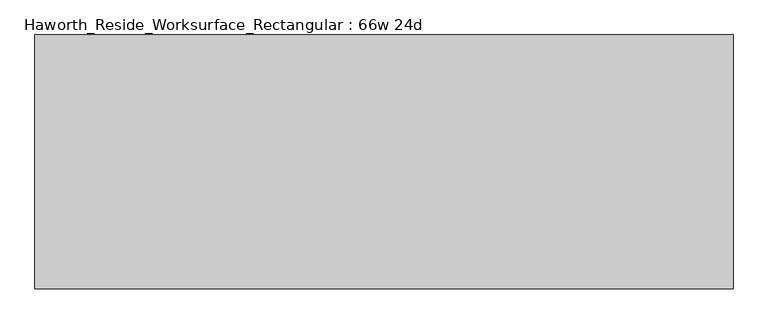
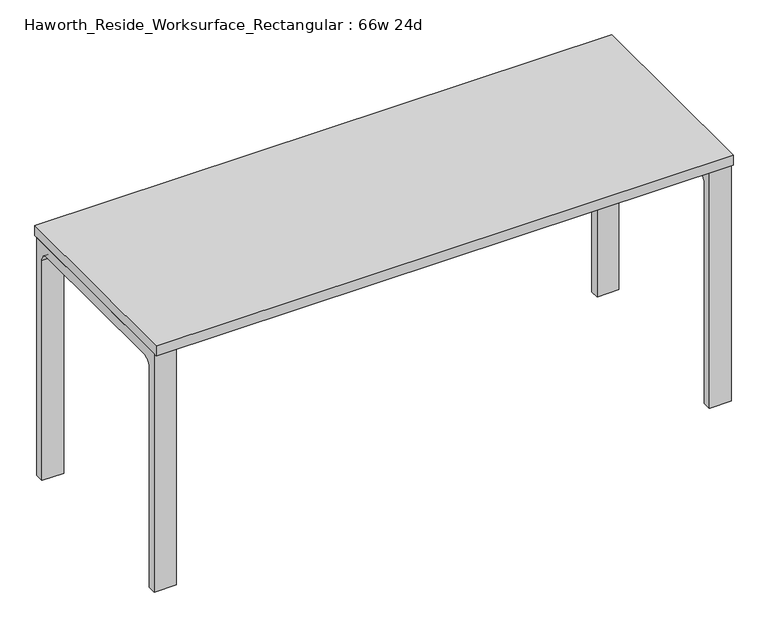
"""IFC4 building model written with IfcOpenShell, lengths in millimetres: furniture geometry, Haworth_Reside_Worksurface_Rectangular : 66w 24d."""

from ifc_helpers import new_model, si_unit, point, frame, frame_2d, origin, place, context, project, spatial, polyline, circle_curve, trimmed, segment, composite_curve, outline, extrude, source, transform, mapped, element, save


def haworth_reside_worksurface_rectangular_66w_24d_c76eec4a(model_context):
    return source(origin(), model_context, "Body", "SweptSolid", [
        extrude(outline(composite_curve([segment(trimmed(circle_curve(frame_2d((244.475, 676.275)), 25.4), [point((269.875, 676.275))], [point((244.475, 701.675))], True, "CARTESIAN"), True, "CONTINUOUS"), segment(polyline([(244.475, 701.675), (-244.475, 701.675)]), True, "CONTINUOUS"), segment(trimmed(circle_curve(frame_2d((-244.475, 676.275)), 25.4), [point((-244.475, 701.675))], [point((-269.875, 676.275))], True, "CARTESIAN"), True, "CONTINUOUS"), segment(polyline([(-269.875, 676.275), (-269.875, 0.0), (-295.275, 0.0), (-295.275, 731.8375), (295.275, 731.8375), (295.275, 0.0), (269.875, 0.0), (269.875, 676.275)]), True, "CONTINUOUS")], self_intersect=False)), frame((774.7, 0.0, 0.0), z_axis=(1.0, 0.0, 0.0), x_axis=(0.0, 1.0, 0.0)), (0.0, 0.0, 1.0), 63.5),
        extrude(outline(composite_curve([segment(trimmed(circle_curve(frame_2d((244.475, 676.275)), 25.4), [point((269.875, 676.275))], [point((244.475, 701.675))], True, "CARTESIAN"), True, "CONTINUOUS"), segment(polyline([(244.475, 701.675), (-244.475, 701.675)]), True, "CONTINUOUS"), segment(trimmed(circle_curve(frame_2d((-244.475, 676.275)), 25.4), [point((-244.475, 701.675))], [point((-269.875, 676.275))], True, "CARTESIAN"), True, "CONTINUOUS"), segment(polyline([(-269.875, 676.275), (-269.875, 0.0), (-295.275, 0.0), (-295.275, 731.8375), (295.275, 731.8375), (295.275, 0.0), (269.875, 0.0), (269.875, 676.275)]), True, "CONTINUOUS")], self_intersect=False)), frame((-838.2, 0.0, 0.0), z_axis=(1.0, 0.0, 0.0), x_axis=(0.0, 1.0, 0.0)), (0.0, 0.0, 1.0), 63.5),
        extrude(outline(polyline([(838.2, 304.8), (838.2, -304.8), (-838.2, -304.8), (-838.2, 304.8), (838.2, 304.8)])), frame((0.0, 0.0, 731.8375), z_axis=(0.0, 0.0, 1.0), x_axis=(1.0, 0.0, 0.0)), (0.0, 0.0, 1.0), 30.1625),
    ])


if __name__ == "__main__":
    model = new_model("IFC4")
    model_context = context("Model", 3, world=origin())
    ifc_project = project(units=[si_unit("LENGTHUNIT", "METRE", prefix="MILLI")], contexts=[model_context])
    site = spatial("IfcSite", under=ifc_project)
    building = spatial("IfcBuilding", under=site)
    placement = place(None, origin())
    haworth_reside_worksurface_rectangular_66w_24d_shape = haworth_reside_worksurface_rectangular_66w_24d_c76eec4a(model_context)
    element("IfcFurniture", 1, ObjectType="Haworth_Reside_Worksurface_Rectangular : 66w 24d", at=placement, inside=building, context=model_context, shape_type="MappedRepresentation", body=[
        mapped(haworth_reside_worksurface_rectangular_66w_24d_shape, transform((0.0, 0.0, 0.0), x_axis=(1.0, 0.0, 0.0), y_axis=(0.0, 1.0, 0.0), z_axis=(0.0, 0.0, 1.0))),
    ])
    save(model, "model.ifc")
